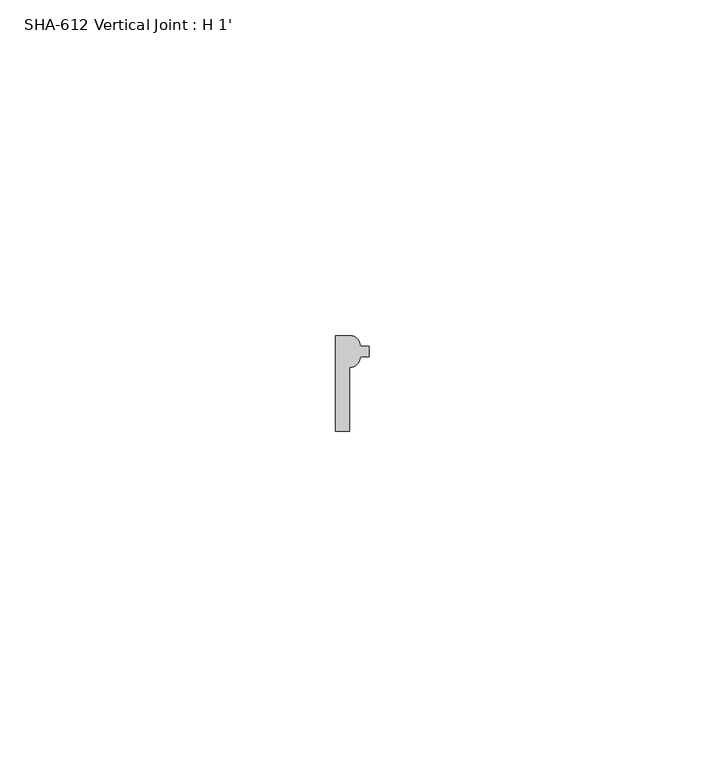
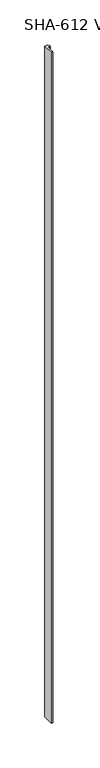
"""IFC4 building model written with IfcOpenShell, lengths in millimetres: proxy geometry, SHA-612 Vertical Joint : H 1'."""

from ifc_helpers import new_model, si_unit, point, frame_2d, origin, origin_with_axes, place, context, project, spatial, polyline, circle_curve, trimmed, segment, composite_curve, outline, extrude, source, transform, mapped, element, save


def sha_612_vertical_joint_h_1_628278e9(model_context):
    return source(origin(), model_context, "Body", "SweptSolid", [
        extrude(outline(composite_curve([segment(trimmed(circle_curve(frame_2d((2.1336, 11.0998)), 1.5748), [point((3.7084, 11.0998))], [point((2.1336, 9.525))], False, "CARTESIAN"), True, "CONTINUOUS"), segment(polyline([(2.1336, 9.525), (2.1336, 0.0), (0.0, 0.0), (0.0, 14.2494), (2.1336, 14.2494)]), True, "CONTINUOUS"), segment(trimmed(circle_curve(frame_2d((2.1336, 12.6746)), 1.5748), [point((2.1336, 14.2494))], [point((3.7084, 12.6746))], False, "CARTESIAN"), True, "CONTINUOUS"), segment(polyline([(3.7084, 12.6746), (5.03555, 12.6746), (5.03555, 11.8872), (5.03555, 11.0998), (3.7084, 11.0998)]), True, "CONTINUOUS")], self_intersect=False)), origin_with_axes(), (0.0, 0.0, 1.0), 914.4),
    ])


if __name__ == "__main__":
    model = new_model("IFC4")
    model_context = context("Model", 3, world=origin())
    ifc_project = project(units=[si_unit("LENGTHUNIT", "METRE", prefix="MILLI")], contexts=[model_context])
    site = spatial("IfcSite", under=ifc_project)
    building = spatial("IfcBuilding", under=site)
    placement = place(None, origin())
    sha_612_vertical_joint_h_1_shape = sha_612_vertical_joint_h_1_628278e9(model_context)
    element("IfcBuildingElementProxy", 1, Name="SHA-612 Vertical Joint : H 1'", ObjectType="SHA-612 Vertical Joint : H 1'", at=placement, inside=building, context=model_context, shape_type="MappedRepresentation", body=[
        mapped(sha_612_vertical_joint_h_1_shape, transform((0.0, 0.0, 0.0), x_axis=(1.0, 0.0, 0.0), y_axis=(0.0, 1.0, 0.0), z_axis=(0.0, 0.0, 1.0))),
    ])
    save(model, "model.ifc")
